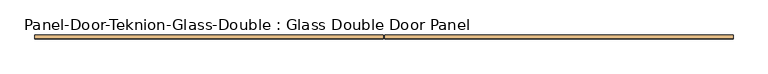
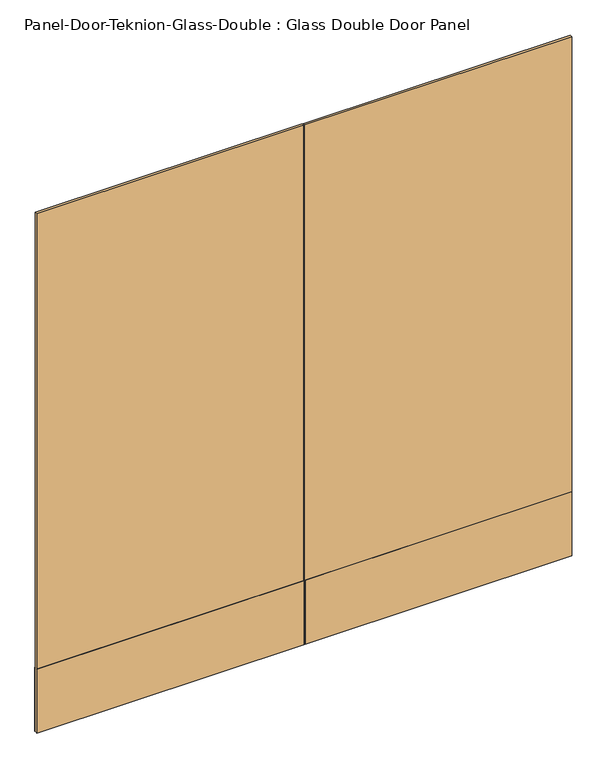
"""IFC4 building model written with IfcOpenShell, lengths in millimetres: door geometry, Panel-Door-Teknion-Glass-Double : Glass Double Door Panel."""

from ifc_helpers import new_model, si_unit, frame, origin, place, context, project, spatial, polyline, outline, extrude, source, transform, mapped, element, save


def panel_door_teknion_glass_double_glass_double_door_panel_226ff144(model_context):
    return source(origin(), model_context, "Body", "SweptSolid", [
        extrude(outline(polyline([(22.86, -4.5085), (-980.5725562, -4.5085), (-980.5725562, 4.5085), (22.86, 4.5085), (22.86, -4.5085)])), frame((0.0, 0.0, 12.7), z_axis=(0.0, 0.0, 1.0), x_axis=(1.0, 0.0, 0.0)), (0.0, 0.0, 1.0), 2063.115),
        extrude(outline(polyline([(27.94, 4.5085), (1031.3725563, 4.5085), (1031.3725563, -4.5085), (27.94, -4.5085), (27.94, 4.5085)])), frame((0.0, 0.0, 12.7), z_axis=(0.0, 0.0, 1.0), x_axis=(1.0, 0.0, 0.0)), (0.0, 0.0, 1.0), 2063.115),
        extrude(outline(polyline([(22.86, -6.1087), (-980.5725562, -6.1087), (-980.5725562, -4.5085), (22.86, -4.5085), (22.86, -6.1087)])), frame((0.0, 0.0, 12.7), z_axis=(0.0, 0.0, 1.0), x_axis=(1.0, 0.0, 0.0)), (0.0, 0.0, 1.0), 254.0),
        extrude(outline(polyline([(22.86, 4.5085), (-980.5725562, 4.5085), (-980.5725562, 6.1087), (22.86, 6.1087), (22.86, 4.5085)])), frame((0.0, 0.0, 12.7), z_axis=(0.0, 0.0, 1.0), x_axis=(1.0, 0.0, 0.0)), (0.0, 0.0, 1.0), 254.0),
        extrude(outline(polyline([(1031.3725563, -6.1087), (27.94, -6.1087), (27.94, -4.5085), (1031.3725563, -4.5085), (1031.3725563, -6.1087)])), frame((0.0, 0.0, 12.7), z_axis=(0.0, 0.0, 1.0), x_axis=(1.0, 0.0, 0.0)), (0.0, 0.0, 1.0), 254.0),
        extrude(outline(polyline([(1031.3725563, 4.5085), (27.94, 4.5085), (27.94, 6.1087), (1031.3725563, 6.1087), (1031.3725563, 4.5085)])), frame((0.0, 0.0, 12.7), z_axis=(0.0, 0.0, 1.0), x_axis=(1.0, 0.0, 0.0)), (0.0, 0.0, 1.0), 254.0),
    ])


if __name__ == "__main__":
    model = new_model("IFC4")
    model_context = context("Model", 3, world=origin())
    ifc_project = project(units=[si_unit("LENGTHUNIT", "METRE", prefix="MILLI")], contexts=[model_context])
    site = spatial("IfcSite", under=ifc_project)
    building = spatial("IfcBuilding", under=site)
    placement = place(None, origin())
    panel_door_teknion_glass_double_glass_double_door_panel_shape = panel_door_teknion_glass_double_glass_double_door_panel_226ff144(model_context)
    element("IfcDoor", 1, ObjectType="Panel-Door-Teknion-Glass-Double : Glass Double Door Panel", at=placement, inside=building, context=model_context, shape_type="MappedRepresentation", body=[
        mapped(panel_door_teknion_glass_double_glass_double_door_panel_shape, transform((0.0, 0.0, 0.0), x_axis=(1.0, 0.0, 0.0), y_axis=(0.0, 1.0, 0.0), z_axis=(0.0, 0.0, 1.0))),
    ])
    save(model, "model.ifc")
